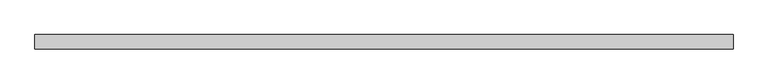
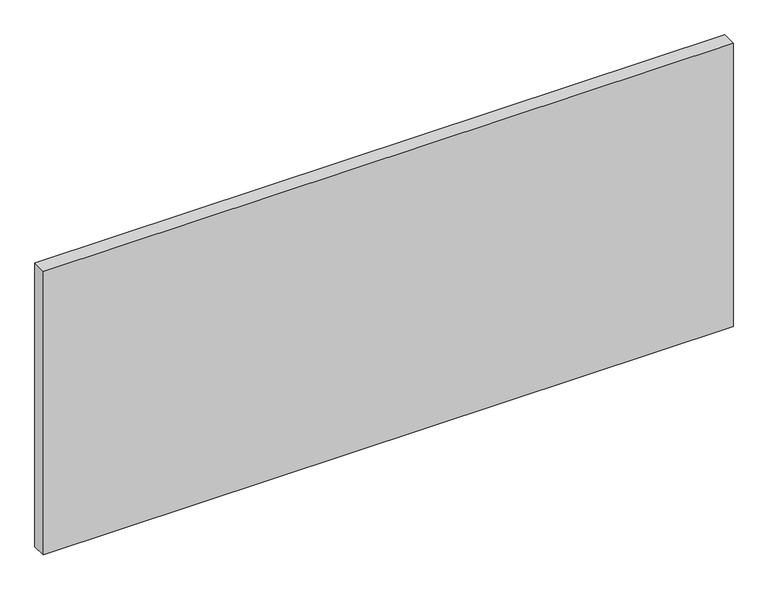
"""IFC4 building model written with IfcOpenShell, lengths in millimetres: plate geometry."""

from ifc_helpers import new_model, si_unit, origin, origin_with_axes, place, context, project, spatial, polyline, outline, extrude, source, transform, mapped, element, save


def plate_75b223ed(model_context):
    return source(origin(), model_context, "Body", "SweptSolid", [
        extrude(outline(polyline([(575.0000002, -24.0), (-575.0000002, -24.0), (-575.0000002, 0.0), (575.0000002, 0.0), (575.0000002, -24.0)])), origin_with_axes(), (0.0, 0.0, 1.0), 500.0),
    ])


if __name__ == "__main__":
    model = new_model("IFC4")
    model_context = context("Model", 3, world=origin())
    ifc_project = project(units=[si_unit("LENGTHUNIT", "METRE", prefix="MILLI")], contexts=[model_context])
    site = spatial("IfcSite", under=ifc_project)
    building = spatial("IfcBuilding", under=site)
    placement = place(None, origin())
    plate_shape = plate_75b223ed(model_context)
    element("IfcPlate", 1, at=placement, inside=building, context=model_context, shape_type="MappedRepresentation", body=[
        mapped(plate_shape, transform((0.0, 0.0, 0.0), x_axis=(1.0, 0.0, 0.0), y_axis=(0.0, 1.0, 0.0), z_axis=(0.0, 0.0, 1.0))),
    ])
    save(model, "model.ifc")
